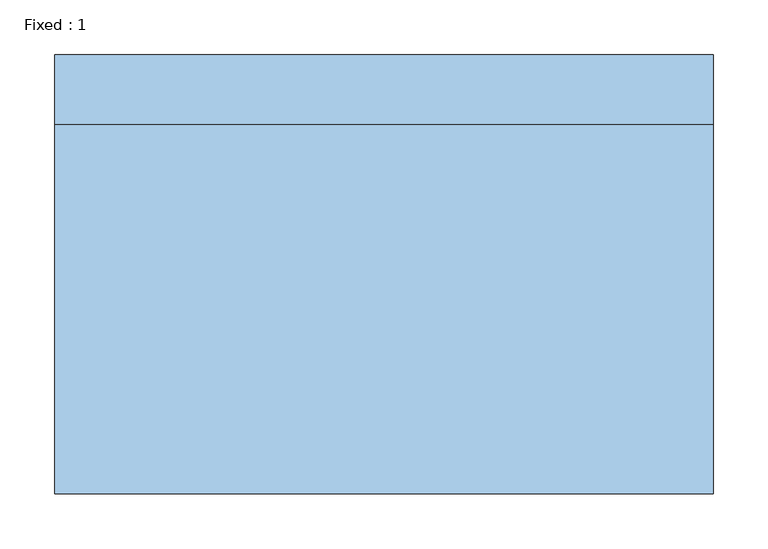
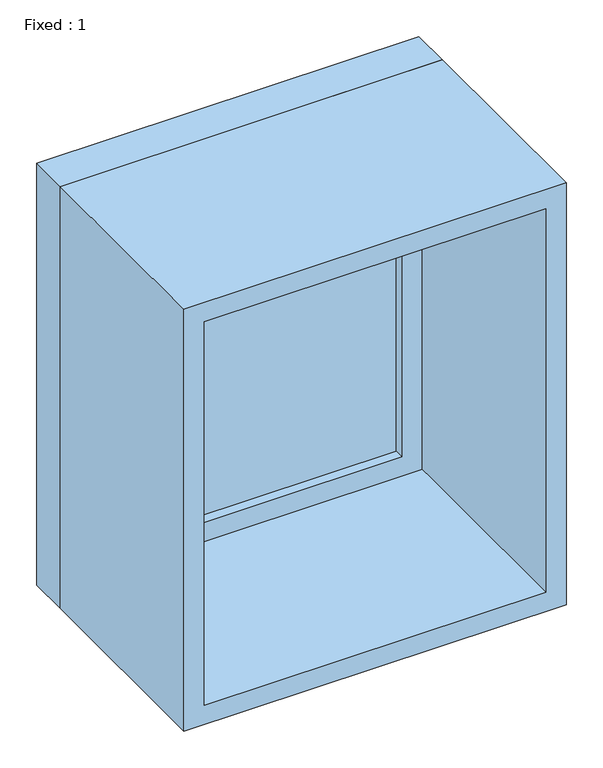
"""IFC4 building model written with IfcOpenShell, lengths in millimetres: window geometry, Fixed : 1."""

from ifc_helpers import new_model, si_unit, frame, origin, place, context, project, spatial, polyline, outline, extrude, source, transform, mapped, element, save


def fixed_1_f86069ce(model_context):
    return source(origin(), model_context, "Body", "SweptSolid", [
        extrude(outline(polyline([(198.4, 152.375), (-274.6, 152.375), (-274.6, 165.075), (198.4, 165.075), (198.4, 152.375)])), frame((0.0, 0.0, 1663.5), z_axis=(0.0, 0.0, 1.0), x_axis=(1.0, 0.0, 0.0)), (0.0, 0.0, 1.0), 573.0),
        extrude(outline(polyline([(2280.95, -319.05), (1619.05, -319.05), (1619.05, 242.85), (2280.95, 242.85), (2280.95, -319.05)]), holes=[polyline([(2236.5, -274.6), (2236.5, 198.4), (1663.5, 198.4), (1663.5, -274.6), (2236.5, -274.6)])]), frame((0.0, 136.5, 0.0), z_axis=(0.0, 1.0, 0.0), x_axis=(0.0, 0.0, 1.0)), (0.0, 0.0, 1.0), 44.45),
        extrude(outline(polyline([(2300.0, -338.1), (1600.0, -338.1), (1600.0, 261.9), (2300.0, 261.9), (2300.0, -338.1)]), holes=[polyline([(2268.25, -306.35), (2268.25, 230.15), (1631.75, 230.15), (1631.75, -306.35), (2268.25, -306.35)])]), frame((0.0, -200.0, 0.0), z_axis=(0.0, 1.0, 0.0), x_axis=(0.0, 0.0, 1.0)), (0.0, 0.0, 1.0), 336.5),
        extrude(outline(polyline([(2300.0, 261.9), (2300.0, -338.1), (1600.0, -338.1), (1600.0, 261.9), (2300.0, 261.9)]), holes=[polyline([(2280.95, 242.85), (1619.05, 242.85), (1619.05, -319.05), (2280.95, -319.05), (2280.95, 242.85)])]), frame((0.0, 136.5, 0.0), z_axis=(0.0, 1.0, 0.0), x_axis=(0.0, 0.0, 1.0)), (0.0, 0.0, 1.0), 63.5),
    ])


if __name__ == "__main__":
    model = new_model("IFC4")
    model_context = context("Model", 3, world=origin())
    ifc_project = project(units=[si_unit("LENGTHUNIT", "METRE", prefix="MILLI")], contexts=[model_context])
    site = spatial("IfcSite", under=ifc_project)
    building = spatial("IfcBuilding", under=site)
    placement = place(None, origin())
    fixed_1_shape = fixed_1_f86069ce(model_context)
    element("IfcWindow", 1, ObjectType="Fixed : 1", at=placement, inside=building, context=model_context, shape_type="MappedRepresentation", body=[
        mapped(fixed_1_shape, transform((0.0, 0.0, 0.0), x_axis=(1.0, 0.0, 0.0), y_axis=(0.0, 1.0, 0.0), z_axis=(0.0, 0.0, 1.0))),
    ])
    save(model, "model.ifc")
